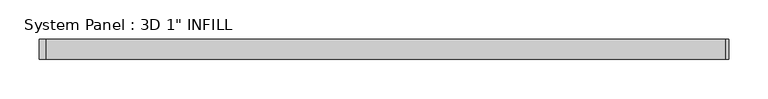
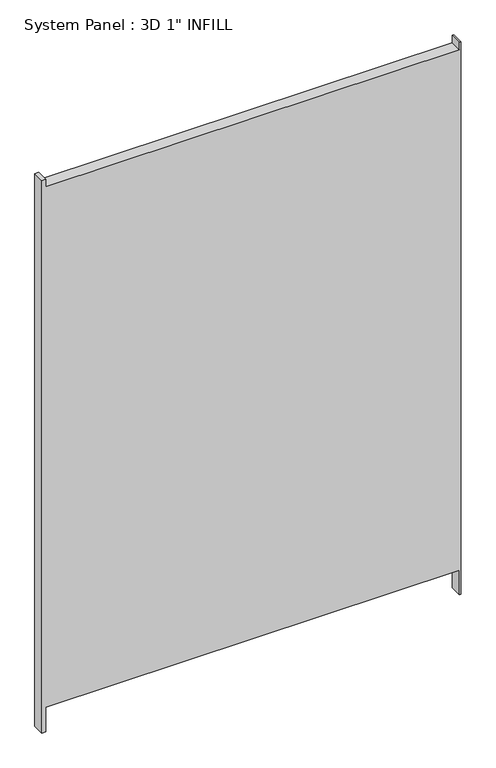
"""IFC4 building model written with IfcOpenShell, lengths in millimetres: plate geometry."""

from ifc_helpers import new_model, si_unit, frame, origin, place, context, project, spatial, polyline, outline, extrude, source, transform, mapped, element, save


def plate_a03341c9(model_context):
    return source(origin(), model_context, "Body", "SweptSolid", [
        extrude(outline(polyline([(0.0, -437.753125), (0.0, -429.6953834), (54.0153037, -429.6953834), (54.0153037, 434.3988174), (0.0, 434.3988174), (0.0, 437.753125), (1219.2, 437.753125), (1219.2, 434.3988174), (1203.324458, 434.3988174), (1203.324458, -429.6953834), (1219.2, -429.6953834), (1219.2, -437.753125), (0.0, -437.753125)])), frame((0.0, -12.7, 0.0), z_axis=(0.0, 1.0, 0.0), x_axis=(0.0, 0.0, 1.0)), (0.0, 0.0, 1.0), 25.4),
    ])


if __name__ == "__main__":
    model = new_model("IFC4")
    model_context = context("Model", 3, world=origin())
    ifc_project = project(units=[si_unit("LENGTHUNIT", "METRE", prefix="MILLI")], contexts=[model_context])
    site = spatial("IfcSite", under=ifc_project)
    building = spatial("IfcBuilding", under=site)
    placement = place(None, origin())
    plate_shape = plate_a03341c9(model_context)
    element("IfcPlate", 1, ObjectType="System Panel : 3D 1\" INFILL", at=placement, inside=building, context=model_context, shape_type="MappedRepresentation", body=[
        mapped(plate_shape, transform((0.0, 0.0, 0.0), x_axis=(1.0, 0.0, 0.0), y_axis=(0.0, 1.0, 0.0), z_axis=(0.0, 0.0, 1.0))),
    ])
    save(model, "model.ifc")
